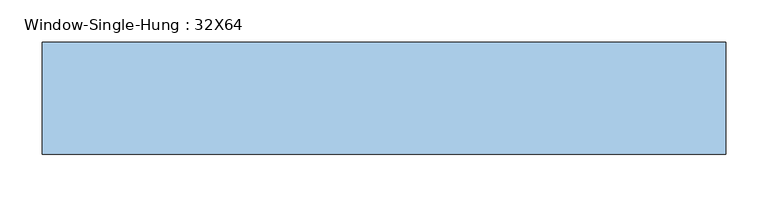
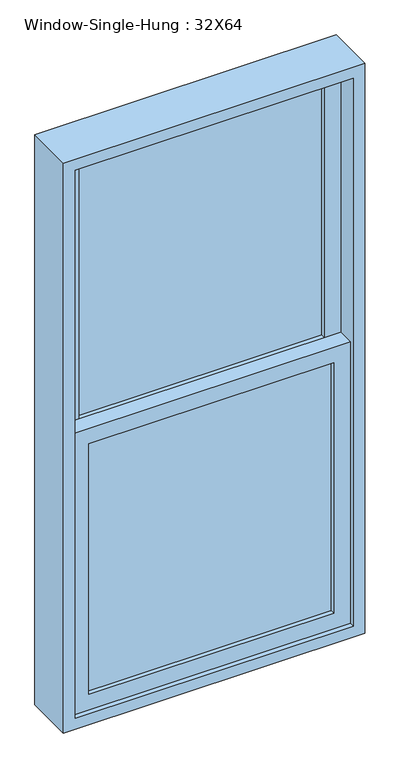
"""IFC4 building model written with IfcOpenShell, lengths in millimetres: window geometry, Window-Single-Hung : 32X64."""

import ifcopenshell
import ifcopenshell.guid

model = None  # the IFC model being written
_history = None  # IfcOwnerHistory: only IFC2X3 demands one
_inside = {}  # id of a spatial element -> (the spatial element, [elements in it])
_under = {}  # id of a project, library or spatial element -> (it, [spatial elements below it])
_declared = {}  # id of a project -> (the project, [libraries it declares])
_typed = {}  # id of a type object -> (the type object, [elements of that type])
_made_of = {}  # id of a material, layer set ... -> (it, [elements and type objects made of it])


def new_model(schema):
    """Start an empty IFC model of exactly this schema.

    Asked for "IFC4X3", IfcOpenShell would pick the latest addendum, in which some entities
    have other attributes; the version numbers below select the first issue.
    IFC2X3 requires an IfcOwnerHistory on every rooted entity: one is made here for all.
    """
    global model, _history
    if schema == "IFC4X3":
        model = ifcopenshell.file(schema_version=(4, 3, 0, 0))
    else:
        model = ifcopenshell.file(schema=schema)
    _inside.clear()
    _under.clear()
    _declared.clear()
    _typed.clear()
    _made_of.clear()
    _history = None
    if model.schema == "IFC2X3":
        org = make("IfcOrganization", Name="unknown")
        user = make(
            "IfcPersonAndOrganization",
            ThePerson=make("IfcPerson", FamilyName="unknown"),
            TheOrganization=org,
        )
        app = make(
            "IfcApplication",
            ApplicationDeveloper=org,
            Version="unknown",
            ApplicationFullName="unknown",
            ApplicationIdentifier="unknown",
        )
        _history = make(
            "IfcOwnerHistory",
            OwningUser=user,
            OwningApplication=app,
            ChangeAction="ADDED",
            CreationDate=0,
        )
    return model


def make(cls, **values):
    """One entity of the class cls with the attributes given. An attribute that is None is left unset."""
    return model.create_entity(
        cls, **{name: value for name, value in values.items() if value is not None}
    )


def rooted(cls, **values):
    """An entity with a GlobalId (a new one), such as an element, a storey or a relation."""
    return make(cls, GlobalId=ifcopenshell.guid.new(), OwnerHistory=_history, **values)


def si_unit(unit_type, name, prefix=None):
    """IfcSIUnit, for example si_unit("LENGTHUNIT", "METRE", prefix="MILLI")."""
    return make("IfcSIUnit", UnitType=unit_type, Prefix=prefix, Name=name)


def assignment(units):
    """IfcUnitAssignment: the units of a project."""
    return None if units is None else make("IfcUnitAssignment", Units=units)


def point(xyz):
    """IfcCartesianPoint."""
    return None if xyz is None else make("IfcCartesianPoint", Coordinates=xyz)


def direction(xyz):
    """IfcDirection."""
    return None if xyz is None else make("IfcDirection", DirectionRatios=xyz)


def frame(location, z_axis=None, x_axis=None):
    """IfcAxis2Placement3D, a coordinate frame: its origin and axes. An axis left out is left unset."""
    return make(
        "IfcAxis2Placement3D",
        Location=point(location),
        Axis=direction(z_axis),
        RefDirection=direction(x_axis),
    )


def origin():
    """The frame at (0, 0, 0) with its axes left unset."""
    return frame((0.0, 0.0, 0.0))


def place(relative_to, where):
    """IfcLocalPlacement: puts the frame where relative to a parent placement (None: the world)."""
    return make(
        "IfcLocalPlacement", PlacementRelTo=relative_to, RelativePlacement=where
    )


def context(
    kind, dimensions, precision=None, world=None, true_north=None, identifier=None
):
    """IfcGeometricRepresentationContext, for example the 3D "Model" context."""
    return make(
        "IfcGeometricRepresentationContext",
        ContextIdentifier=identifier,
        ContextType=kind,
        CoordinateSpaceDimension=dimensions,
        Precision=precision,
        WorldCoordinateSystem=world,
        TrueNorth=true_north,
    )


def project(units=None, contexts=None):
    """IfcProject with its units and contexts."""
    return rooted(
        "IfcProject",
        Name="project",
        RepresentationContexts=contexts,
        UnitsInContext=assignment(units),
    )


def spatial(cls, under=None, at=None, **own):
    """A site, building, storey or space (cls), placed at a placement, below another one or the project."""
    s = rooted(cls, ObjectPlacement=at, **own)
    if under is not None:
        _under.setdefault(under.id(), (under, []))[1].append(s)
    return s


def polyline(points):
    """IfcPolyline through the points."""
    return make("IfcPolyline", Points=[point(p) for p in points])


def outline(outer, holes=None, kind="AREA"):
    """IfcArbitraryClosedProfileDef: a profile drawn as a closed curve; with holes, ...WithVoids."""
    if holes is None:
        return make("IfcArbitraryClosedProfileDef", ProfileType=kind, OuterCurve=outer)
    return make(
        "IfcArbitraryProfileDefWithVoids",
        ProfileType=kind,
        OuterCurve=outer,
        InnerCurves=holes,
    )


def extrude(swept, where, along, depth):
    """IfcExtrudedAreaSolid: the profile swept, set in the frame where, extruded along a direction by depth."""
    return make(
        "IfcExtrudedAreaSolid",
        SweptArea=swept,
        Position=where,
        ExtrudedDirection=direction(along),
        Depth=depth,
    )


def shape(context_of_items, identifier, shape_type, items):
    """IfcShapeRepresentation: the items that make up one representation, for example the "Body"."""
    return make(
        "IfcShapeRepresentation",
        ContextOfItems=context_of_items,
        RepresentationIdentifier=identifier,
        RepresentationType=shape_type,
        Items=items,
    )


def source(mapping_origin, context_of_items, identifier, shape_type, items):
    """IfcRepresentationMap: a shape defined once, which mapped items show again and again."""
    return make(
        "IfcRepresentationMap",
        MappingOrigin=mapping_origin,
        MappedRepresentation=shape(context_of_items, identifier, shape_type, items),
    )


def transform(
    local_origin,
    x_axis=None,
    y_axis=None,
    z_axis=None,
    scale=None,
    scale2=None,
    scale3=None,
    uniform=True,
):
    """IfcCartesianTransformationOperator3D, or its non-uniform kind. x_axis, y_axis, z_axis: its Axis1, 2, 3."""
    if uniform:
        return make(
            "IfcCartesianTransformationOperator3D",
            Axis1=direction(x_axis),
            Axis2=direction(y_axis),
            LocalOrigin=point(local_origin),
            Scale=scale,
            Axis3=direction(z_axis),
        )
    return make(
        "IfcCartesianTransformationOperator3DnonUniform",
        Axis1=direction(x_axis),
        Axis2=direction(y_axis),
        LocalOrigin=point(local_origin),
        Scale=scale,
        Axis3=direction(z_axis),
        Scale2=scale2,
        Scale3=scale3,
    )


def mapped(mapping_source, mapping_target):
    """IfcMappedItem: shows the shape of a source again, moved by a transform."""
    return make(
        "IfcMappedItem", MappingSource=mapping_source, MappingTarget=mapping_target
    )


def made_of(thing, what):
    """Note that an element or type object is made of a material, layer set ...; save() writes the relation."""
    if what is not None:
        _made_of.setdefault(what.id(), (what, []))[1].append(thing)
    return thing


def element(
    cls,
    number,
    at=None,
    inside=None,
    cuts=None,
    type_object=None,
    material=None,
    context=None,
    identifier="Body",
    shape_type=None,
    held_by="IfcProductDefinitionShape",
    body=None,
    shapes=None,
    **own,
):
    """One element of the class cls, such as IfcWall. Its Tag is "e" and its number.

    at: its placement. inside: the storey or other place that contains it. cuts: it is an
    opening in that element (IfcRelVoidsElement). A single representation is given by context,
    identifier, shape_type and body (its items); several are given by shapes. held_by: the class
    of the entity that holds the representations. save() writes the other relations.
    """
    e = rooted(cls, Tag="e%d" % number, ObjectPlacement=at, **own)
    if body is not None:
        shapes = [shape(context, identifier, shape_type, body)]
    if shapes is not None:
        e.Representation = make(held_by, Representations=shapes)
    if inside is not None:
        _inside.setdefault(inside.id(), (inside, []))[1].append(e)
    if cuts is not None:
        rooted(
            "IfcRelVoidsElement", RelatingBuildingElement=cuts, RelatedOpeningElement=e
        )
    if type_object is not None:
        _typed.setdefault(type_object.id(), (type_object, []))[1].append(e)
    return made_of(e, material)


def aggregate(whole, parts):
    """IfcRelAggregates: a whole, such as a stair, and the parts it consists of."""
    return rooted("IfcRelAggregates", RelatingObject=whole, RelatedObjects=parts)


def save(model, path):
    """Write the relations noted so far, then the file.

    IfcRelAggregates (storeys below a building ...), IfcRelContainedInSpatialStructure (elements
    in a storey), IfcRelDefinesByType, IfcRelAssociatesMaterial and IfcRelDeclares: one each for
    every whole, place, type object, material and project.
    """
    for whole, parts in _under.values():
        aggregate(whole, parts)
    for where, things in _inside.values():
        rooted(
            "IfcRelContainedInSpatialStructure",
            RelatedElements=things,
            RelatingStructure=where,
        )
    for kind, things in _typed.values():
        rooted("IfcRelDefinesByType", RelatedObjects=things, RelatingType=kind)
    for what, things in _made_of.values():
        rooted("IfcRelAssociatesMaterial", RelatedObjects=things, RelatingMaterial=what)
    for by, libraries in _declared.values():
        rooted("IfcRelDeclares", RelatingContext=by, RelatedDefinitions=libraries)
    model.write(path)


def window_single_hung_32x64_ca1ff5c7(model_context):
    return source(origin(), model_context, "Body", "SweptSolid", [
        extrude(outline(polyline([(330.2, 4.7625), (330.2, -1.5875), (-330.2, -1.5875), (-330.2, 4.7625), (330.2, 4.7625)])), frame((0.0, 0.0, 990.6), z_axis=(0.0, 0.0, 1.0), x_axis=(1.0, 0.0, 0.0)), (0.0, 0.0, 1.0), 714.375),
        extrude(outline(polyline([(-330.2, -7.9375), (330.2, -7.9375), (330.2, -14.2875), (-330.2, -14.2875), (-330.2, -7.9375)])), frame((0.0, 0.0, 990.6), z_axis=(0.0, 0.0, 1.0), x_axis=(1.0, 0.0, 0.0)), (0.0, 0.0, 1.0), 714.375),
        extrude(outline(polyline([(330.2, 49.2125), (330.2, 42.8625), (-330.2, 42.8625), (-330.2, 49.2125), (330.2, 49.2125)])), frame((0.0, 0.0, 1749.425), z_axis=(0.0, 0.0, 1.0), x_axis=(1.0, 0.0, 0.0)), (0.0, 0.0, 1.0), 714.375),
        extrude(outline(polyline([(-330.2, 36.5125), (330.2, 36.5125), (330.2, 30.1625), (-330.2, 30.1625), (-330.2, 36.5125)])), frame((0.0, 0.0, 1749.425), z_axis=(0.0, 0.0, 1.0), x_axis=(1.0, 0.0, 0.0)), (0.0, 0.0, 1.0), 714.375),
        extrude(outline(polyline([(1749.425, -374.65), (946.15, -374.65), (946.15, 374.65), (1749.425, 374.65), (1749.425, -374.65)]), holes=[polyline([(1704.975, 330.2), (990.6, 330.2), (990.6, -330.2), (1704.975, -330.2), (1704.975, 330.2)])]), frame((0.0, -26.9875, 0.0), z_axis=(0.0, 1.0, 0.0), x_axis=(0.0, 0.0, 1.0)), (0.0, 0.0, 1.0), 44.45),
        extrude(outline(polyline([(2508.25, -374.65), (1704.975, -374.65), (1704.975, 374.65), (2508.25, 374.65), (2508.25, -374.65)]), holes=[polyline([(2463.8, 330.2), (1749.425, 330.2), (1749.425, -330.2), (2463.8, -330.2), (2463.8, 330.2)])]), frame((0.0, 17.4625, 0.0), z_axis=(0.0, 1.0, 0.0), x_axis=(0.0, 0.0, 1.0)), (0.0, 0.0, 1.0), 44.45),
        extrude(outline(polyline([(2540.0, -406.4), (914.4, -406.4), (914.4, 406.4), (2540.0, 406.4), (2540.0, -406.4)]), holes=[polyline([(2508.25, 374.65), (946.15, 374.65), (946.15, -374.65), (2508.25, -374.65), (2508.25, 374.65)])]), frame((0.0, -39.6875, 0.0), z_axis=(0.0, 1.0, 0.0), x_axis=(0.0, 0.0, 1.0)), (0.0, 0.0, 1.0), 133.35),
    ])


if __name__ == "__main__":
    model = new_model("IFC4")
    model_context = context("Model", 3, world=origin())
    ifc_project = project(units=[si_unit("LENGTHUNIT", "METRE", prefix="MILLI")], contexts=[model_context])
    site = spatial("IfcSite", under=ifc_project)
    building = spatial("IfcBuilding", under=site)
    placement = place(None, origin())
    window_single_hung_32x64_shape = window_single_hung_32x64_ca1ff5c7(model_context)
    element("IfcWindow", 1, ObjectType="Window-Single-Hung : 32X64", at=placement, inside=building, context=model_context, shape_type="MappedRepresentation", body=[
        mapped(window_single_hung_32x64_shape, transform((0.0, 0.0, 0.0), x_axis=(1.0, 0.0, 0.0), y_axis=(0.0, 1.0, 0.0), z_axis=(0.0, 0.0, 1.0))),
    ])
    save(model, "model.ifc")
